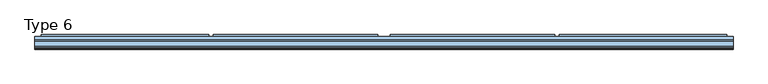
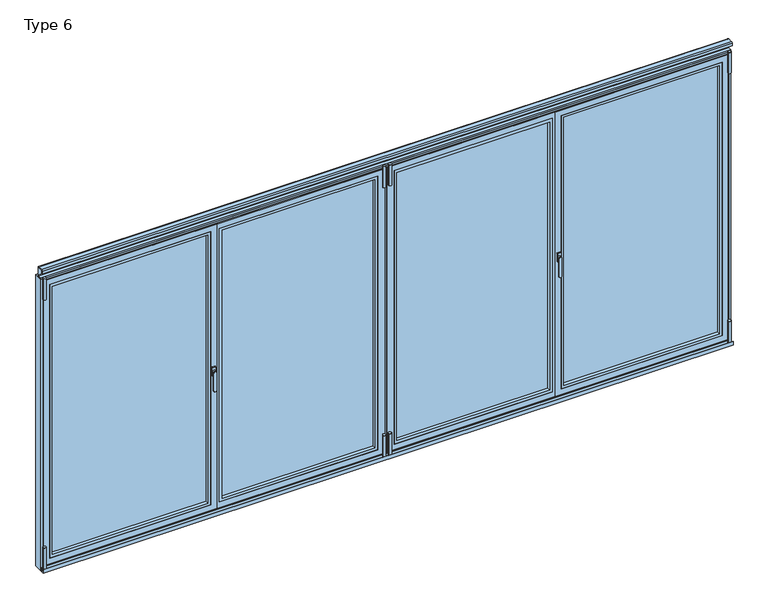
"""IFC4 building model written with IfcOpenShell, lengths in millimetres: window geometry, Type 6."""

from ifc_helpers import new_model, si_unit, point, frame, frame_2d, origin, place, context, project, spatial, polyline, circle_curve, trimmed, segment, composite_curve, outline, extrude, faceted_brep, source, transform, mapped, element, save
from ifc_brep_helpers import plane_surface, revolved_surface, advanced_brep


def type_6_501f9ba3(model_context):
    return source(origin(), model_context, "Body", "SolidModel", [
        faceted_brep([(-9.0, 80.0, 35.0), (-46.5, 80.0, 35.0), (-1163.75, 80.0, 35.0), (-1193.75, 80.0, 35.0), (-1193.75, 80.0, 2070.0), (-1163.75, 80.0, 2070.0), (-46.5, 80.0, 2070.0), (-9.0, 80.0, 2070.0), (-79.0, 80.0, 72.5), (-79.0, 80.0, 2032.5), (-1131.25, 80.0, 2032.5), (-1131.25, 80.0, 72.5), (-1168.75, 20.0, 10.0), (-9.0, 20.0, 10.0), (-9.0, 20.0, 2095.0), (-1168.75, 20.0, 2095.0), (-1153.75, 20.0, 50.0), (-1153.75, 20.0, 2055.0), (-56.5, 20.0, 2055.0), (-56.5, 20.0, 50.0), (-56.5, 72.75, 2055.0), (-56.5, 72.75, 50.0), (-1153.75, 72.75, 50.0), (-1153.75, 72.75, 2055.0), (-1131.25, 72.75, 72.5), (-1131.25, 72.75, 2032.5), (-79.0, 72.75, 2032.5), (-79.0, 72.75, 72.5), (-9.0, 73.0, 35.0), (-31.5, 73.0, 35.0), (-46.5, 73.0, 35.0), (-1163.75, 73.0, 35.0), (-1178.75, 73.0, 35.0), (-1193.75, 73.0, 35.0), (-31.5, 73.0, 2080.0), (-31.5, 73.0, 2070.0), (-46.5, 73.0, 2070.0), (-1163.75, 73.0, 2070.0), (-1178.75, 73.0, 2070.0), (-1178.75, 73.0, 2080.0), (-1178.75, 73.0, 25.0), (-31.5, 73.0, 25.0), (-31.5, 27.0, 2080.0), (-31.5, 27.0, 25.0), (-1168.75, 27.0, 25.0), (-1178.75, 27.0, 25.0), (-1178.75, 27.0, 2080.0), (-1193.75, 73.0, 2070.0), (-9.0, 73.0, 2070.0), (-1168.75, 27.0, 2080.0), (-9.0, 27.0, 10.0), (-1168.75, 27.0, 10.0), (-1168.75, 27.0, 2095.0), (-9.0, 27.0, 2095.0)], [[[0, 1, 2, 3, 4, 5, 6, 7], [8, 9, 10, 11]], [[12, 13, 14, 15], [16, 17, 18, 19]], [[19, 18, 20, 21]], [[21, 22, 16, 19]], [[22, 23, 17, 16]], [[21, 20, 23, 22], [24, 25, 26, 27]], [[27, 26, 9, 8]], [[8, 11, 24, 27]], [[11, 10, 25, 24]], [[23, 20, 18, 17]], [[10, 9, 26, 25]], [[28, 29, 30, 31, 32, 33, 3, 2, 1, 0]], [[34, 35, 36, 37, 38, 39]], [[40, 32, 31, 30, 29, 41]], [[41, 29, 35, 34, 42, 43]], [[44, 45, 40, 41, 43]], [[45, 46, 39, 38, 32, 40]], [[7, 6, 5, 4, 47, 38, 37, 36, 35, 48]], [[46, 49, 42, 34, 39]], [[50, 13, 12, 51]], [[44, 43, 42, 49, 52, 53, 50, 51]], [[14, 53, 52, 15]], [[45, 44, 49, 46]], [[12, 15, 52, 49, 44, 51]], [[48, 28, 0, 7]], [[33, 47, 4, 3]], [[14, 13, 50, 53]], [[33, 32, 38, 47]], [[48, 35, 29, 28]]]),
        extrude(outline(polyline([(-56.5, 72.75), (-56.5, 44.75), (-1153.75, 44.75), (-1153.75, 72.75), (-56.5, 72.75)])), frame((0.0, 0.0, 50.0), z_axis=(0.0, 0.0, 1.0), x_axis=(1.0, 0.0, 0.0)), (0.0, 0.0, 1.0), 2005.0),
        extrude(outline(polyline([(2055.0, -56.5), (2055.0, -1153.75), (50.0, -1153.75), (50.0, -56.5), (2055.0, -56.5)]), holes=[polyline([(2035.0009231, -1133.7509231), (2035.0009231, -76.4990769), (69.9990769, -76.4990769), (69.9990769, -1133.7509231), (2035.0009231, -1133.7509231)])]), frame((0.0, 20.5, 0.0), z_axis=(0.0, 1.0, 0.0), x_axis=(0.0, 0.0, 1.0)), (0.0, 0.0, 1.0), 24.25),
        extrude(outline(composite_curve([segment(trimmed(circle_curve(frame_2d((-20.0, 6.5)), 10.0), [point((-10.0, 6.5))], [point((-30.0, 6.5))], False, "CARTESIAN"), True, "CONTINUOUS"), segment(trimmed(circle_curve(frame_2d((-20.0, 6.5)), 10.0), [point((-30.0, 6.5))], [point((-10.0, 6.5))], False, "CARTESIAN"), True, "CONTINUOUS")], self_intersect=False)), frame((0.0, 0.0, -12.0640378), z_axis=(0.0, 0.0, 1.0), x_axis=(1.0, 0.0, 0.0)), (0.0, 0.0, 1.0), 166.5636122),
        extrude(outline(composite_curve([segment(trimmed(circle_curve(frame_2d((-20.0, 6.5)), 10.0), [point((-30.0, 6.5))], [point((-10.0, 6.5))], False, "CARTESIAN"), True, "CONTINUOUS"), segment(trimmed(circle_curve(frame_2d((-20.0, 6.5)), 10.0), [point((-10.0, 6.5))], [point((-30.0, 6.5))], False, "CARTESIAN"), True, "CONTINUOUS")], self_intersect=False)), frame((0.0, 0.0, 1972.5), z_axis=(0.0, 0.0, 1.0), x_axis=(1.0, 0.0, 0.0)), (0.0, 0.0, 1.0), 153.5),
        extrude(outline(polyline([(80.0, 52.8188022), (93.0, 45.3132487), (93.0, 32.2), (80.0, 32.2), (80.0, 52.8188022)])), frame((-1168.75, 0.0, 0.0), z_axis=(1.0, 0.0, 0.0), x_axis=(0.0, 1.0, 0.0)), (0.0, 0.0, 1.0), 1127.25),
        faceted_brep([(9.0, 80.0, 35.0), (9.0, 80.0, 2070.0), (46.5, 80.0, 2070.0), (1163.75, 80.0, 2070.0), (1193.75, 80.0, 2070.0), (1193.75, 80.0, 35.0), (1163.75, 80.0, 35.0), (46.5, 80.0, 35.0), (79.0, 80.0, 72.5), (1131.25, 80.0, 72.5), (1131.25, 80.0, 2032.5), (79.0, 80.0, 2032.5), (1168.75, 20.0, 10.0), (1168.75, 20.0, 2095.0), (9.0, 20.0, 2095.0), (9.0, 20.0, 10.0), (1153.75, 20.0, 50.0), (56.5, 20.0, 50.0), (56.5, 20.0, 2055.0), (1153.75, 20.0, 2055.0), (56.5, 72.75, 50.0), (56.5, 72.75, 2055.0), (1153.75, 72.75, 50.0), (1153.75, 72.75, 2055.0), (1131.25, 72.75, 72.5), (79.0, 72.75, 72.5), (79.0, 72.75, 2032.5), (1131.25, 72.75, 2032.5), (9.0, 73.0, 35.0), (1193.75, 73.0, 35.0), (1178.75, 73.0, 35.0), (1163.75, 73.0, 35.0), (46.5, 73.0, 35.0), (31.5, 73.0, 35.0), (1178.75, 73.0, 25.0), (31.5, 73.0, 25.0), (31.5, 73.0, 2080.0), (1178.75, 73.0, 2080.0), (1178.75, 73.0, 2070.0), (1163.75, 73.0, 2070.0), (46.5, 73.0, 2070.0), (31.5, 73.0, 2070.0), (31.5, 27.0, 25.0), (31.5, 27.0, 2080.0), (1168.75, 27.0, 25.0), (1178.75, 27.0, 25.0), (1178.75, 27.0, 2080.0), (1168.75, 27.0, 2080.0), (9.0, 73.0, 2070.0), (1193.75, 73.0, 2070.0), (1168.75, 27.0, 10.0), (1168.75, 27.0, 2095.0), (9.0, 27.0, 10.0), (9.0, 27.0, 2095.0)], [[[0, 1, 2, 3, 4, 5, 6, 7], [8, 9, 10, 11]], [[12, 13, 14, 15], [16, 17, 18, 19]], [[17, 20, 21, 18]], [[20, 17, 16, 22]], [[22, 16, 19, 23]], [[20, 22, 23, 21], [24, 25, 26, 27]], [[25, 8, 11, 26]], [[8, 25, 24, 9]], [[9, 24, 27, 10]], [[23, 19, 18, 21]], [[10, 27, 26, 11]], [[28, 0, 7, 6, 5, 29, 30, 31, 32, 33]], [[34, 35, 33, 32, 31, 30]], [[36, 37, 38, 39, 40, 41]], [[35, 42, 43, 36, 41, 33]], [[44, 42, 35, 34, 45]], [[45, 34, 30, 38, 37, 46]], [[45, 46, 47, 44]], [[1, 48, 41, 40, 39, 38, 49, 4, 3, 2]], [[46, 37, 36, 43, 47]], [[12, 50, 44, 47, 51, 13]], [[52, 50, 12, 15]], [[44, 50, 52, 53, 51, 47, 43, 42]], [[14, 13, 51, 53]], [[48, 1, 0, 28]], [[29, 5, 4, 49]], [[14, 53, 52, 15]], [[29, 49, 38, 30]], [[48, 28, 33, 41]]]),
        extrude(outline(polyline([(56.5, 72.75), (1153.75, 72.75), (1153.75, 44.75), (56.5, 44.75), (56.5, 72.75)])), frame((0.0, 0.0, 50.0), z_axis=(0.0, 0.0, 1.0), x_axis=(1.0, 0.0, 0.0)), (0.0, 0.0, 1.0), 2005.0),
        extrude(outline(polyline([(2055.0, 56.5), (50.0, 56.5), (50.0, 1153.75), (2055.0, 1153.75), (2055.0, 56.5)]), holes=[polyline([(2035.0009231, 1133.7509231), (69.9990769, 1133.7509231), (69.9990769, 76.4990769), (2035.0009231, 76.4990769), (2035.0009231, 1133.7509231)])]), frame((0.0, 20.5, 0.0), z_axis=(0.0, 1.0, 0.0), x_axis=(0.0, 0.0, 1.0)), (0.0, 0.0, 1.0), 24.25),
        extrude(outline(composite_curve([segment(trimmed(circle_curve(frame_2d((20.0, 6.5)), 10.0), [point((10.0, 6.5))], [point((30.0, 6.5))], False, "CARTESIAN"), True, "CONTINUOUS"), segment(trimmed(circle_curve(frame_2d((20.0, 6.5)), 10.0), [point((30.0, 6.5))], [point((10.0, 6.5))], False, "CARTESIAN"), True, "CONTINUOUS")], self_intersect=False)), frame((0.0, 0.0, -12.0640378), z_axis=(0.0, 0.0, 1.0), x_axis=(1.0, 0.0, 0.0)), (0.0, 0.0, 1.0), 166.5636122),
        extrude(outline(composite_curve([segment(trimmed(circle_curve(frame_2d((20.0, 6.5)), 10.0), [point((30.0, 6.5))], [point((10.0, 6.5))], False, "CARTESIAN"), True, "CONTINUOUS"), segment(trimmed(circle_curve(frame_2d((20.0, 6.5)), 10.0), [point((10.0, 6.5))], [point((30.0, 6.5))], False, "CARTESIAN"), True, "CONTINUOUS")], self_intersect=False)), frame((0.0, 0.0, 1972.5), z_axis=(0.0, 0.0, 1.0), x_axis=(1.0, 0.0, 0.0)), (0.0, 0.0, 1.0), 153.5),
        extrude(outline(polyline([(80.0, 52.8188022), (93.0, 45.3132487), (93.0, 32.2), (80.0, 32.2), (80.0, 52.8188022)])), frame((41.5, 0.0, 0.0), z_axis=(1.0, 0.0, 0.0), x_axis=(0.0, 1.0, 0.0)), (0.0, 0.0, 1.0), 1127.25),
        advanced_brep(
        [(1207.25, 11.0, 1028.0), (1185.25, 11.0, 1028.0), (1186.25, 3.5, 1028.0), (1206.25, 3.5, 1028.0), (1205.25, -4.0, 896.6867153), (1205.25, -4.0, 1028.0), (1187.25, -4.0, 1028.0), (1187.25, -4.0, 896.6867153), (1206.25, 3.5, 896.6867153), (1186.25, 3.5, 896.6867153)],
        [
            (0, 1, circle_curve(frame((1196.25, 11.0, 1028.0), z_axis=(0.0, 1.0, 0.0), x_axis=(-1.0, 0.0, 0.0)), 11.0)),
            (1, 0, circle_curve(frame((1196.25, 11.0, 1028.0), z_axis=(0.0, 1.0, 0.0), x_axis=(1.0, 0.0, 0.0)), 11.0)),
            (1, 2),
            (2, 3, circle_curve(frame((1196.25, 3.5, 1028.0), z_axis=(0.0, 1.0, 0.0), x_axis=(1.0, 0.0, 0.0)), 10.0)),
            (3, 0),
            (3, 2, circle_curve(frame((1196.25, 3.5, 1028.0), z_axis=(0.0, 1.0, 0.0), x_axis=(-1.0, 0.0, 0.0)), 10.0)),
            (4, 5),
            (5, 6, circle_curve(frame((1196.25, -4.0, 1028.0), z_axis=(0.0, -1.0, 0.0), x_axis=(-1.0, 0.0, 0.0)), 9.0)),
            (6, 7),
            (7, 4, circle_curve(frame((1196.25, -4.0, 896.6867153), z_axis=(0.0, -1.0, 0.0), x_axis=(1.0, 0.0, 0.0)), 9.0)),
            (8, 9, circle_curve(frame((1196.25, 3.5, 896.6867153), z_axis=(0.0, 1.0, 0.0), x_axis=(1.0, 0.0, 0.0)), 10.0)),
            (9, 2),
            (3, 8),
            (7, 9),
            (8, 4),
            (6, 2),
            (5, 3),
        ],
        [
            plane_surface(frame((1196.25, 11.0, 1028.0), z_axis=(0.0, 1.0, 0.0), x_axis=(0.0, 0.0, 1.0))),
            revolved_surface(polyline([(1186.25, 3.5, 1028.0), (1185.25, 11.0, 1028.0)]), (1196.25, -71.5, 1028.0), (0.0, 1.0, 0.0)),
            revolved_surface(polyline([(1206.25, 3.5, 1028.0), (1207.25, 11.0, 1028.0)]), (1196.25, -71.5, 1028.0), (0.0, 1.0, 0.0)),
            plane_surface(frame((1196.25, -4.0, 962.3433576), z_axis=(0.0, -1.0, 0.0), x_axis=(0.0, 0.0, -1.0))),
            plane_surface(frame((1196.25, 3.5, 962.3433576), z_axis=(0.0, 1.0, 0.0), x_axis=(0.0, 0.0, -1.0))),
            revolved_surface(polyline([(1187.25, -4.0, 896.6867153), (1186.25, 3.5, 896.6867153)]), (1196.25, -71.5, 896.6867153), (0.0, 1.0, 0.0)),
            plane_surface(frame((1186.25, 3.5, 962.3433576), z_axis=(-0.9912279006826277, -0.1321637200910704, 0.0), x_axis=(0.0, 0.0, 1.0))),
            revolved_surface(polyline([(1205.25, -4.0, 1028.0), (1206.25, 3.5, 1028.0)]), (1196.25, -71.5, 1028.0), (0.0, 1.0, 0.0)),
            plane_surface(frame((1206.25, 3.5, 962.3433576), z_axis=(0.9912279006826291, -0.1321637200910603, 0.0), x_axis=(0.0, 0.0, -1.0))),
        ],
        [
            (0, [[1, 2]]),
            (1, [[3, 4, 5, -2]]),
            (2, [[-5, 6, -3, -1]]),
            (3, [[7, 8, 9, 10]]),
            (4, [[11, 12, -6, 13]]),
            (5, [[14, -11, 15, -10]]),
            (6, [[16, -12, -14, -9]]),
            (7, [[17, -4, -16, -8]]),
            (8, [[-15, -13, -17, -7]]),
        ],
    ),
        extrude(outline(polyline([(1184.25, 11.0), (1184.25, 20.0), (1208.25, 20.0), (1208.25, 11.0), (1184.25, 11.0)])), frame((0.0, 0.0, 998.0), z_axis=(0.0, 0.0, 1.0), x_axis=(1.0, 0.0, 0.0)), (0.0, 0.0, 1.0), 60.0),
        faceted_brep([(2345.0, 80.0, 35.0), (2340.0, 80.0, 35.0), (1203.75, 80.0, 35.0), (1198.75, 80.0, 35.0), (1198.75, 80.0, 2070.0), (1203.75, 80.0, 2070.0), (2340.0, 80.0, 2070.0), (2345.0, 80.0, 2070.0), (2307.5, 80.0, 72.5), (2307.5, 80.0, 2032.5), (1236.25, 80.0, 2032.5), (1236.25, 80.0, 72.5), (1173.75, 20.0, 10.0), (2370.0, 20.0, 10.0), (2370.0, 20.0, 2095.0), (1173.75, 20.0, 2095.0), (1213.75, 20.0, 50.0), (1213.75, 20.0, 2055.0), (2330.0, 20.0, 2055.0), (2330.0, 20.0, 50.0), (2330.0, 72.75, 2055.0), (2330.0, 72.75, 50.0), (1213.75, 72.75, 50.0), (1213.75, 72.75, 2055.0), (1236.25, 72.75, 72.5), (1236.25, 72.75, 2032.5), (2307.5, 72.75, 2032.5), (2307.5, 72.75, 72.5), (2345.0, 73.0, 2070.0), (2345.0, 73.0, 35.0), (1198.75, 73.0, 35.0), (1198.75, 73.0, 2070.0), (2340.0, 73.0, 35.0), (1203.75, 73.0, 35.0), (1188.75, 73.0, 25.0), (1188.75, 73.0, 2080.0), (2355.0, 73.0, 2080.0), (2355.0, 73.0, 25.0), (2340.0, 73.0, 2070.0), (1203.75, 73.0, 2070.0), (2355.0, 27.0, 2080.0), (2355.0, 27.0, 25.0), (1188.75, 27.0, 25.0), (1188.75, 27.0, 2080.0), (2370.0, 27.0, 10.0), (1173.75, 27.0, 10.0), (1173.75, 27.0, 2095.0), (2370.0, 27.0, 2095.0)], [[[0, 1, 2, 3, 4, 5, 6, 7], [8, 9, 10, 11]], [[12, 13, 14, 15], [16, 17, 18, 19]], [[19, 18, 20, 21]], [[21, 22, 16, 19]], [[22, 23, 17, 16]], [[21, 20, 23, 22], [24, 25, 26, 27]], [[27, 26, 9, 8]], [[8, 11, 24, 27]], [[11, 10, 25, 24]], [[23, 20, 18, 17]], [[10, 9, 26, 25]], [[7, 28, 29, 0]], [[3, 30, 31, 4]], [[29, 32, 33, 30, 3, 2, 1, 0]], [[34, 35, 36, 37], [30, 33, 32, 29, 28, 38, 39, 31]], [[37, 36, 40, 41]], [[42, 34, 37, 41]], [[42, 43, 35, 34]], [[31, 39, 38, 28, 7, 6, 5, 4]], [[40, 36, 35, 43]], [[44, 13, 12, 45]], [[46, 47, 44, 45], [40, 43, 42, 41]], [[14, 47, 46, 15]], [[12, 15, 46, 45]], [[14, 13, 44, 47]]]),
        extrude(outline(polyline([(2330.0, 72.75), (2330.0, 44.75), (1213.75, 44.75), (1213.75, 72.75), (2330.0, 72.75)])), frame((0.0, 0.0, 50.0), z_axis=(0.0, 0.0, 1.0), x_axis=(1.0, 0.0, 0.0)), (0.0, 0.0, 1.0), 2005.0),
        extrude(outline(polyline([(2055.0, 2330.0), (2055.0, 1213.75), (50.0, 1213.75), (50.0, 2330.0), (2055.0, 2330.0)]), holes=[polyline([(2035.0009231, 1233.7490769), (2035.0009231, 2310.0009231), (69.9990769, 2310.0009231), (69.9990769, 1233.7490769), (2035.0009231, 1233.7490769)])]), frame((0.0, 20.5, 0.0), z_axis=(0.0, 1.0, 0.0), x_axis=(0.0, 0.0, 1.0)), (0.0, 0.0, 1.0), 24.25),
        extrude(outline(composite_curve([segment(trimmed(circle_curve(frame_2d((2372.5, 6.5)), 10.0), [point((2382.5, 6.5))], [point((2362.5, 6.5))], False, "CARTESIAN"), True, "CONTINUOUS"), segment(trimmed(circle_curve(frame_2d((2372.5, 6.5)), 10.0), [point((2362.5, 6.5))], [point((2382.5, 6.5))], False, "CARTESIAN"), True, "CONTINUOUS")], self_intersect=False)), frame((0.0, 0.0, -12.0640378), z_axis=(0.0, 0.0, 1.0), x_axis=(1.0, 0.0, 0.0)), (0.0, 0.0, 1.0), 166.5636122),
        extrude(outline(composite_curve([segment(trimmed(circle_curve(frame_2d((2372.5, 6.5)), 10.0), [point((2362.5, 6.5))], [point((2382.5, 6.5))], False, "CARTESIAN"), True, "CONTINUOUS"), segment(trimmed(circle_curve(frame_2d((2372.5, 6.5)), 10.0), [point((2382.5, 6.5))], [point((2362.5, 6.5))], False, "CARTESIAN"), True, "CONTINUOUS")], self_intersect=False)), frame((0.0, 0.0, 1972.5), z_axis=(0.0, 0.0, 1.0), x_axis=(1.0, 0.0, 0.0)), (0.0, 0.0, 1.0), 153.5),
        extrude(outline(polyline([(80.0, 52.8188022), (93.0, 45.3132487), (93.0, 32.2), (80.0, 32.2), (80.0, 52.8188022)])), frame((1198.75, 0.0, 0.0), z_axis=(1.0, 0.0, 0.0), x_axis=(0.0, 1.0, 0.0)), (0.0, 0.0, 1.0), 1146.25),
        advanced_brep(
        [(-1207.25, 11.0, 1028.0), (-1185.25, 11.0, 1028.0), (-1206.25, 3.5, 1028.0), (-1186.25, 3.5, 1028.0), (-1205.25, -4.0, 896.6867153), (-1187.25, -4.0, 896.6867153), (-1187.25, -4.0, 1028.0), (-1205.25, -4.0, 1028.0), (-1206.25, 3.5, 896.6867153), (-1186.25, 3.5, 896.6867153)],
        [
            (0, 1, circle_curve(frame((-1196.25, 11.0, 1028.0), z_axis=(0.0, 1.0, 0.0), x_axis=(-1.0, 0.0, 0.0)), 11.0)),
            (1, 0, circle_curve(frame((-1196.25, 11.0, 1028.0), z_axis=(0.0, 1.0, 0.0), x_axis=(1.0, 0.0, 0.0)), 11.0)),
            (0, 2),
            (2, 3, circle_curve(frame((-1196.25, 3.5, 1028.0), z_axis=(0.0, 1.0, 0.0), x_axis=(-1.0, 0.0, 0.0)), 10.0)),
            (3, 1),
            (3, 2, circle_curve(frame((-1196.25, 3.5, 1028.0), z_axis=(0.0, 1.0, 0.0), x_axis=(1.0, 0.0, 0.0)), 10.0)),
            (4, 5, circle_curve(frame((-1196.25, -4.0, 896.6867153), z_axis=(0.0, -1.0, 0.0), x_axis=(-1.0, 0.0, 0.0)), 9.0)),
            (5, 6),
            (6, 7, circle_curve(frame((-1196.25, -4.0, 1028.0), z_axis=(0.0, -1.0, 0.0), x_axis=(1.0, 0.0, 0.0)), 9.0)),
            (7, 4),
            (8, 2),
            (3, 9),
            (9, 8, circle_curve(frame((-1196.25, 3.5, 896.6867153), z_axis=(0.0, 1.0, 0.0), x_axis=(-1.0, 0.0, 0.0)), 10.0)),
            (4, 8),
            (9, 5),
            (3, 6),
            (2, 7),
        ],
        [
            plane_surface(frame((-1196.25, 11.0, 1028.0), z_axis=(0.0, 1.0, 0.0), x_axis=(0.0, 0.0, 1.0))),
            revolved_surface(polyline([(-1186.25, 3.5, 1028.0), (-1185.25, 11.0, 1028.0)]), (-1196.25, -71.5, 1028.0), (0.0, 1.0, 0.0)),
            revolved_surface(polyline([(-1206.25, 3.5, 1028.0), (-1207.25, 11.0, 1028.0)]), (-1196.25, -71.5, 1028.0), (0.0, 1.0, 0.0)),
            plane_surface(frame((-1196.25, -4.0, 962.3433576), z_axis=(0.0, -1.0, 0.0), x_axis=(0.0, 0.0, -1.0))),
            plane_surface(frame((-1196.25, 3.5, 962.3433576), z_axis=(0.0, 1.0, 0.0), x_axis=(0.0, 0.0, -1.0))),
            revolved_surface(polyline([(-1205.25, -4.0, 896.6867153), (-1206.25, 3.5, 896.6867153)]), (-1196.25, -71.5, 896.6867153), (0.0, 1.0, 0.0)),
            plane_surface(frame((-1186.25, 3.5, 962.3433576), z_axis=(0.9912279006826277, -0.1321637200910704, 0.0), x_axis=(0.0, 0.0, 1.0))),
            revolved_surface(polyline([(-1187.25, -4.0, 1028.0), (-1186.25, 3.5, 1028.0)]), (-1196.25, -71.5, 1028.0), (0.0, 1.0, 0.0)),
            plane_surface(frame((-1206.25, 3.5, 962.3433576), z_axis=(-0.9912279006826291, -0.1321637200910603, 0.0), x_axis=(0.0, 0.0, -1.0))),
        ],
        [
            (0, [[1, 2]]),
            (1, [[-1, 3, 4, 5]]),
            (2, [[-2, -5, 6, -3]]),
            (3, [[7, 8, 9, 10]]),
            (4, [[11, -6, 12, 13]]),
            (5, [[-7, 14, -13, 15]]),
            (6, [[-8, -15, -12, 16]]),
            (7, [[-9, -16, -4, 17]]),
            (8, [[-10, -17, -11, -14]]),
        ],
    ),
        extrude(outline(polyline([(-1184.25, 11.0), (-1208.25, 11.0), (-1208.25, 20.0), (-1184.25, 20.0), (-1184.25, 11.0)])), frame((0.0, 0.0, 998.0), z_axis=(0.0, 0.0, 1.0), x_axis=(1.0, 0.0, 0.0)), (0.0, 0.0, 1.0), 60.0),
        faceted_brep([(-2345.0, 80.0, 35.0), (-2345.0, 80.0, 2070.0), (-2340.0, 80.0, 2070.0), (-1203.75, 80.0, 2070.0), (-1198.75, 80.0, 2070.0), (-1198.75, 80.0, 35.0), (-1203.75, 80.0, 35.0), (-2340.0, 80.0, 35.0), (-2307.5, 80.0, 72.5), (-1236.25, 80.0, 72.5), (-1236.25, 80.0, 2032.5), (-2307.5, 80.0, 2032.5), (-1173.75, 20.0, 10.0), (-1173.75, 20.0, 2095.0), (-2370.0, 20.0, 2095.0), (-2370.0, 20.0, 10.0), (-1213.75, 20.0, 50.0), (-2330.0, 20.0, 50.0), (-2330.0, 20.0, 2055.0), (-1213.75, 20.0, 2055.0), (-2330.0, 72.75, 50.0), (-2330.0, 72.75, 2055.0), (-1213.75, 72.75, 50.0), (-1213.75, 72.75, 2055.0), (-1236.25, 72.75, 72.5), (-2307.5, 72.75, 72.5), (-2307.5, 72.75, 2032.5), (-1236.25, 72.75, 2032.5), (-2345.0, 73.0, 35.0), (-1198.75, 73.0, 35.0), (-1203.75, 73.0, 35.0), (-2340.0, 73.0, 35.0), (-1188.75, 73.0, 25.0), (-2355.0, 73.0, 25.0), (-2355.0, 73.0, 2080.0), (-1188.75, 73.0, 2080.0), (-1198.75, 73.0, 2070.0), (-1203.75, 73.0, 2070.0), (-2340.0, 73.0, 2070.0), (-2345.0, 73.0, 2070.0), (-2355.0, 27.0, 25.0), (-2355.0, 27.0, 2080.0), (-1188.75, 27.0, 25.0), (-1188.75, 27.0, 2080.0), (-2370.0, 27.0, 10.0), (-1173.75, 27.0, 10.0), (-1173.75, 27.0, 2095.0), (-2370.0, 27.0, 2095.0)], [[[0, 1, 2, 3, 4, 5, 6, 7], [8, 9, 10, 11]], [[12, 13, 14, 15], [16, 17, 18, 19]], [[17, 20, 21, 18]], [[20, 17, 16, 22]], [[22, 16, 19, 23]], [[20, 22, 23, 21], [24, 25, 26, 27]], [[25, 8, 11, 26]], [[8, 25, 24, 9]], [[9, 24, 27, 10]], [[23, 19, 18, 21]], [[10, 27, 26, 11]], [[28, 0, 7, 6, 5, 29, 30, 31]], [[32, 33, 34, 35], [29, 36, 37, 38, 39, 28, 31, 30]], [[33, 40, 41, 34]], [[42, 40, 33, 32]], [[42, 32, 35, 43]], [[36, 4, 3, 2, 1, 39, 38, 37]], [[41, 43, 35, 34]], [[44, 45, 12, 15]], [[46, 45, 44, 47], [41, 40, 42, 43]], [[14, 13, 46, 47]], [[1, 0, 28, 39]], [[5, 4, 36, 29]], [[12, 45, 46, 13]], [[14, 47, 44, 15]]]),
        extrude(outline(polyline([(-2330.0, 72.75), (-1213.75, 72.75), (-1213.75, 44.75), (-2330.0, 44.75), (-2330.0, 72.75)])), frame((0.0, 0.0, 50.0), z_axis=(0.0, 0.0, 1.0), x_axis=(1.0, 0.0, 0.0)), (0.0, 0.0, 1.0), 2005.0),
        extrude(outline(polyline([(2055.0, -2330.0), (50.0, -2330.0), (50.0, -1213.75), (2055.0, -1213.75), (2055.0, -2330.0)]), holes=[polyline([(2035.0009231, -1233.7490769), (69.9990769, -1233.7490769), (69.9990769, -2310.0009231), (2035.0009231, -2310.0009231), (2035.0009231, -1233.7490769)])]), frame((0.0, 20.5, 0.0), z_axis=(0.0, 1.0, 0.0), x_axis=(0.0, 0.0, 1.0)), (0.0, 0.0, 1.0), 24.25),
        extrude(outline(composite_curve([segment(trimmed(circle_curve(frame_2d((-2372.5, 6.5)), 10.0), [point((-2382.5, 6.5))], [point((-2362.5, 6.5))], False, "CARTESIAN"), True, "CONTINUOUS"), segment(trimmed(circle_curve(frame_2d((-2372.5, 6.5)), 10.0), [point((-2362.5, 6.5))], [point((-2382.5, 6.5))], False, "CARTESIAN"), True, "CONTINUOUS")], self_intersect=False)), frame((0.0, 0.0, -12.0640378), z_axis=(0.0, 0.0, 1.0), x_axis=(1.0, 0.0, 0.0)), (0.0, 0.0, 1.0), 166.5636122),
        extrude(outline(composite_curve([segment(trimmed(circle_curve(frame_2d((-2372.5, 6.5)), 10.0), [point((-2362.5, 6.5))], [point((-2382.5, 6.5))], False, "CARTESIAN"), True, "CONTINUOUS"), segment(trimmed(circle_curve(frame_2d((-2372.5, 6.5)), 10.0), [point((-2382.5, 6.5))], [point((-2362.5, 6.5))], False, "CARTESIAN"), True, "CONTINUOUS")], self_intersect=False)), frame((0.0, 0.0, 1972.5), z_axis=(0.0, 0.0, 1.0), x_axis=(1.0, 0.0, 0.0)), (0.0, 0.0, 1.0), 153.5),
        extrude(outline(polyline([(80.0, 52.8188022), (93.0, 45.3132487), (93.0, 32.2), (80.0, 32.2), (80.0, 52.8188022)])), frame((-2345.0, 0.0, 0.0), z_axis=(1.0, 0.0, 0.0), x_axis=(0.0, 1.0, 0.0)), (0.0, 0.0, 1.0), 1146.25),
        extrude(outline(composite_curve([segment(polyline([(5.0, 2165.0), (5.0, 2182.0)]), True, "CONTINUOUS"), segment(trimmed(circle_curve(frame_2d((13.0, 2182.0)), 8.0), [point((5.0, 2182.0))], [point((13.0, 2190.0))], False, "CARTESIAN"), True, "CONTINUOUS"), segment(polyline([(13.0, 2190.0), (47.0, 2190.0)]), True, "CONTINUOUS"), segment(trimmed(circle_curve(frame_2d((47.0, 2182.0)), 8.0), [point((47.0, 2190.0))], [point((55.0, 2182.0))], False, "CARTESIAN"), True, "CONTINUOUS"), segment(polyline([(55.0, 2182.0), (55.0, 2128.0)]), True, "CONTINUOUS"), segment(trimmed(circle_curve(frame_2d((47.0, 2128.0)), 8.0), [point((55.0, 2128.0))], [point((47.0, 2120.0))], False, "CARTESIAN"), True, "CONTINUOUS"), segment(polyline([(47.0, 2120.0), (41.5, 2120.0), (41.5, 2115.0), (20.0, 2115.0), (20.0, 2124.0), (47.0, 2124.0)]), True, "CONTINUOUS"), segment(trimmed(circle_curve(frame_2d((47.0, 2128.0)), 4.0), [point((47.0, 2124.0))], [point((51.0, 2128.0))], True, "CARTESIAN"), True, "CONTINUOUS"), segment(polyline([(51.0, 2128.0), (51.0, 2182.0)]), True, "CONTINUOUS"), segment(trimmed(circle_curve(frame_2d((47.0, 2182.0)), 4.0), [point((51.0, 2182.0))], [point((47.0, 2186.0))], True, "CARTESIAN"), True, "CONTINUOUS"), segment(polyline([(47.0, 2186.0), (13.0, 2186.0)]), True, "CONTINUOUS"), segment(trimmed(circle_curve(frame_2d((13.0, 2182.0)), 4.0), [point((13.0, 2186.0))], [point((9.0, 2182.0))], True, "CARTESIAN"), True, "CONTINUOUS"), segment(polyline([(9.0, 2182.0), (9.0, 2165.0), (5.0, 2165.0)]), True, "CONTINUOUS")], self_intersect=False)), frame((-2390.0, 0.0, 0.0), z_axis=(1.0, 0.0, 0.0), x_axis=(0.0, 1.0, 0.0)), (0.0, 0.0, 1.0), 4780.0),
        extrude(outline(polyline([(17.4781484, 1.0), (20.0, 1.0), (20.0, -22.0), (-6.5218516, -22.0), (-6.5218516, 1.0), (-3.5218516, 1.0), (-3.5218516, -19.0), (17.4781484, -19.0), (17.4781484, 1.0)])), frame((-2390.0, 0.0, 0.0), z_axis=(1.0, 0.0, 0.0), x_axis=(0.0, 1.0, 0.0)), (0.0, 0.0, 1.0), 4780.0),
        extrude(outline(polyline([(31.5, 73.0), (31.5, 27.0), (0.0, 27.0), (0.0, 42.8837462), (8.002732, 42.8837462), (8.002732, 57.63379), (0.0, 57.63379), (0.0, 73.0), (31.5, 73.0)])), frame((0.0, 0.0, 25.0), z_axis=(0.0, 0.0, 1.0), x_axis=(1.0, 0.0, 0.0)), (0.0, 0.0, 1.0), 2055.0),
        extrude(outline(polyline([(-31.5, 27.0), (-31.5, 73.0), (0.0, 73.0), (0.0, 57.63379), (-8.002732, 57.63379), (-8.002732, 42.8837462), (0.0, 42.8837462), (0.0, 27.0), (-31.5, 27.0)])), frame((0.0, 0.0, 25.0), z_axis=(0.0, 0.0, 1.0), x_axis=(1.0, 0.0, 0.0)), (0.0, 0.0, 1.0), 2055.0),
        faceted_brep([(2390.0, 80.0, -22.0), (2390.0, 20.0, -22.0), (-2390.0, 20.0, -22.0), (-2390.0, 80.0, -22.0), (2390.0, 20.0, 2115.0), (2390.0, 80.0, 2115.0), (-2390.0, 20.0, 2115.0), (2375.0, 20.0, 2100.0), (2375.0, 20.0, 2.0), (-2375.0, 20.0, 2.0), (-2375.0, 20.0, 2100.0), (-2390.0, 80.0, 2115.0), (-2350.0, 80.0, 2075.0), (-2350.0, 80.0, 2.0), (2350.0, 80.0, 2.0), (2350.0, 80.0, 2075.0), (-2350.0, 73.0, 2075.0), (-2350.0, 73.0, 18.5), (-2350.0, 76.5, 8.0), (-2350.0, 76.5, 2.0), (2350.0, 76.5, 2.0), (2350.0, 73.0, 2075.0), (2350.0, 76.5, 8.0), (2350.0, 73.0, 18.5), (2375.0, 27.0, 2100.0), (2375.0, 27.0, 2.0), (-2375.0, 27.0, 2.0), (-2375.0, 27.0, 2100.0), (2365.0, 27.0, 2090.0), (2365.0, 27.0, 14.5), (-2365.0, 27.0, 14.5), (-2365.0, 27.0, 2090.0), (2365.0, 73.0, 2090.0), (2365.0, 73.0, 18.5), (2365.0, 66.9723867, 18.5), (2365.0, 62.150282, 14.5), (-2365.0, 62.150282, 14.5), (-2365.0, 73.0, 2090.0), (-2365.0, 66.9723867, 18.5), (-2365.0, 73.0, 18.5)], [[[0, 1, 2, 3]], [[4, 1, 0, 5]], [[2, 1, 4, 6], [7, 8, 9, 10]], [[2, 6, 11, 3]], [[0, 3, 11, 5], [12, 13, 14, 15]], [[12, 16, 17, 18, 19, 13]], [[14, 13, 19, 20]], [[21, 15, 14, 20, 22, 23]], [[7, 24, 25, 8]], [[9, 8, 25, 26]], [[26, 27, 10, 9]], [[24, 27, 26, 25], [28, 29, 30, 31]], [[28, 32, 33, 34, 35, 29]], [[30, 29, 35, 36]], [[37, 31, 30, 36, 38, 39]], [[32, 37, 39, 17, 16, 21, 23, 33]], [[23, 17, 39, 38, 34, 33]], [[36, 35, 34, 38]], [[18, 22, 20, 19]], [[17, 23, 22, 18]], [[12, 15, 21, 16]], [[5, 11, 6, 4]], [[7, 10, 27, 24]], [[28, 31, 37, 32]]]),
    ])


if __name__ == "__main__":
    model = new_model("IFC4")
    model_context = context("Model", 3, world=origin())
    ifc_project = project(units=[si_unit("LENGTHUNIT", "METRE", prefix="MILLI")], contexts=[model_context])
    site = spatial("IfcSite", under=ifc_project)
    building = spatial("IfcBuilding", under=site)
    placement = place(None, origin())
    type_6_shape = type_6_501f9ba3(model_context)
    element("IfcWindow", 1, ObjectType="Type 6", at=placement, inside=building, context=model_context, shape_type="MappedRepresentation", body=[
        mapped(type_6_shape, transform((0.0, 0.0, 0.0), x_axis=(1.0, 0.0, 0.0), y_axis=(0.0, 1.0, 0.0), z_axis=(0.0, 0.0, 1.0))),
    ])
    save(model, "model.ifc")
